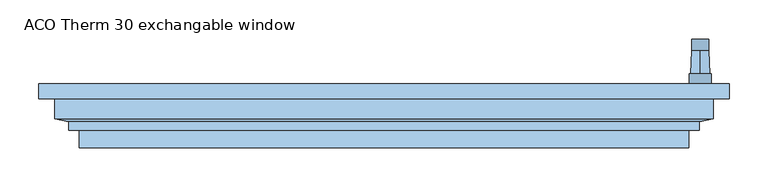
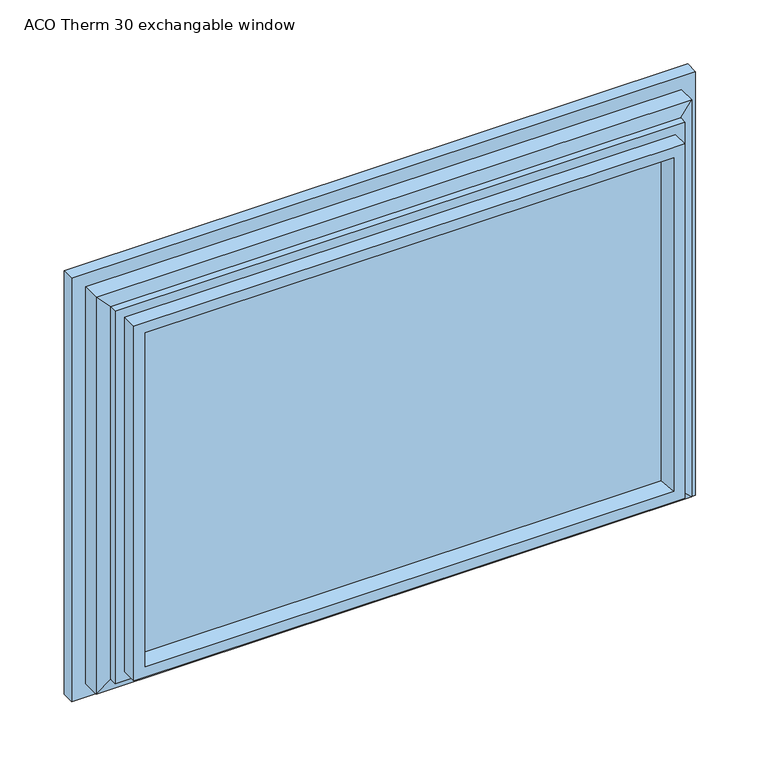
"""IFC4 building model written with IfcOpenShell, lengths in millimetres: window geometry, ACO Therm 30 exchangable window."""

from ifc_helpers import new_model, si_unit, point, frame, frame_2d, origin, place, context, project, spatial, polyline, circle_curve, trimmed, segment, composite_curve, outline, extrude, faceted_brep, source, transform, mapped, element, save
from ifc_brep_helpers import plane_surface, cylinder_surface, revolved_surface, advanced_brep


def aco_therm_30_exchangable_window_c95f24bc(model_context):
    return source(origin(), model_context, "Body", "SolidModel", [
        advanced_brep(
        [(419.8, -69.2, 220.2), (419.8, -69.2, 184.8), (391.2, -69.2, 184.8), (391.2, -69.2, 220.2), (405.5, -69.2, 190.5), (405.5, -69.2, 214.5), (419.8, -82.0, 220.2), (391.2, -82.0, 220.2), (391.2, -82.0, 184.8), (419.8, -82.0, 184.8), (405.5, -39.4162196, 213.45), (405.5, -39.4162196, 191.55)],
        [
            (0, 1),
            (1, 2, circle_curve(frame((405.5, -69.2, 184.8), z_axis=(0.0, 1.0, 0.0), x_axis=(-1.0, 0.0, 0.0)), 14.3)),
            (2, 3),
            (3, 0, circle_curve(frame((405.5, -69.2, 220.2), z_axis=(0.0, 1.0, 0.0), x_axis=(-1.0, 0.0, 0.0)), 14.3)),
            (4, 5, circle_curve(frame((405.5, -69.2, 202.5), z_axis=(0.0, -1.0, 0.0), x_axis=(0.0, 0.0, 1.0)), 12.0)),
            (5, 4, circle_curve(frame((405.5, -69.2, 202.5), z_axis=(0.0, -1.0, 0.0), x_axis=(0.0, 0.0, -1.0)), 12.0)),
            (6, 7, circle_curve(frame((405.5, -82.0, 220.2), z_axis=(0.0, -1.0, 0.0), x_axis=(-1.0, 0.0, 0.0)), 14.3)),
            (7, 8),
            (8, 9, circle_curve(frame((405.5, -82.0, 184.8), z_axis=(0.0, -1.0, 0.0), x_axis=(-1.0, 0.0, 0.0)), 14.3)),
            (9, 6),
            (0, 6),
            (9, 1),
            (8, 2),
            (7, 3),
            (10, 11, circle_curve(frame((405.5, -39.4162196, 202.5), z_axis=(0.0, 1.0, 0.0), x_axis=(0.0, 0.0, 1.0)), 10.95)),
            (11, 10, circle_curve(frame((405.5, -39.4162196, 202.5), z_axis=(0.0, 1.0, 0.0), x_axis=(0.0, 0.0, -1.0)), 10.95)),
            (10, 5),
            (4, 11),
        ],
        [
            plane_surface(frame((419.8, -69.2, 220.2), z_axis=(0.0, 1.0, 0.0), x_axis=(0.0, 0.0, -1.0))),
            plane_surface(frame((419.8, -82.0, 220.2), z_axis=(0.0, -1.0, 0.0), x_axis=(0.0, 0.0, 1.0))),
            plane_surface(frame((419.8, -69.2, 220.2), z_axis=(1.0, 0.0, 0.0), x_axis=(0.0, -1.0, 0.0))),
            cylinder_surface(frame((405.5, -82.0, 184.8), z_axis=(0.0, 1.0, 0.0), x_axis=(-1.0, 0.0, 0.0)), 14.3),
            plane_surface(frame((391.2, -69.2, 184.8), z_axis=(-1.0, 0.0, 0.0), x_axis=(0.0, -1.0, 0.0))),
            cylinder_surface(frame((405.5, -82.0, 220.2), z_axis=(0.0, 1.0, 0.0), x_axis=(-1.0, 0.0, 0.0)), 14.3),
            plane_surface(frame((405.5, -39.4162196, 202.5), z_axis=(0.0, 1.0, 0.0), x_axis=(1.0, 0.0, 0.0))),
            revolved_surface(polyline([(405.5, -39.41621959999998, 213.4500000002644), (405.5, -69.19999999999999, 214.5)]), (405.5, 271.1860618, 202.5), (0.0, -1.0, 0.0)),
            revolved_surface(polyline([(405.5, -39.41621959999998, 191.5499999997356), (405.5, -69.19999999999999, 190.5)]), (405.5, 271.1860618, 202.5), (0.0, -1.0, 0.0)),
        ],
        [
            (0, [[1, 2, 3, 4], [5, 6]]),
            (1, [[7, 8, 9, 10]]),
            (2, [[-1, 11, -10, 12]]),
            (3, [[-2, -12, -9, 13]]),
            (4, [[-3, -13, -8, 14]]),
            (5, [[-4, -14, -7, -11]]),
            (6, [[15, 16]]),
            (7, [[-15, 17, -5, 18]]),
            (8, [[-16, -18, -6, -17]]),
        ],
    ),
        extrude(outline(composite_curve([segment(trimmed(circle_curve(frame_2d((89.5593058, 401.5419635)), 5.1186159), [point((89.5592661, 396.4233476))], [point((84.4406899, 401.5419635))], False, "CARTESIAN"), True, "CONTINUOUS"), segment(polyline([(84.4406899, 401.5419635), (84.4406899, 409.4580365)]), True, "CONTINUOUS"), segment(trimmed(circle_curve(frame_2d((89.5593058, 409.4580365)), 5.1186159), [point((84.4406899, 409.4580365))], [point((89.3895475, 414.5738366))], False, "CARTESIAN"), True, "CONTINUOUS"), segment(polyline([(89.3895475, 414.5738366), (202.5, 416.45)]), True, "CONTINUOUS"), segment(trimmed(circle_curve(frame_2d((202.5, 405.5)), 10.95), [point((202.5, 416.45))], [point((202.5, 394.55))], False, "CARTESIAN"), True, "CONTINUOUS"), segment(polyline([(202.5, 394.55), (89.5592661, 396.4233476)]), True, "CONTINUOUS")], self_intersect=False)), frame((0.0, -39.4162196, 0.0), z_axis=(0.0, 1.0, 0.0), x_axis=(0.0, 0.0, 1.0)), (0.0, 0.0, 1.0), 15.0),
        extrude(outline(polyline([(386.5, -103.0), (386.5, -107.0), (-386.5, -107.0), (-386.5, -103.0), (386.5, -103.0)])), frame((0.0, 0.0, 108.5), z_axis=(0.0, 0.0, 1.0), x_axis=(1.0, 0.0, 0.0)), (0.0, 0.0, 1.0), 523.0),
        extrude(outline(polyline([(386.5, -139.0), (386.5, -143.0), (-386.5, -143.0), (-386.5, -139.0), (386.5, -139.0)])), frame((0.0, 0.0, 108.5), z_axis=(0.0, 0.0, 1.0), x_axis=(1.0, 0.0, 0.0)), (0.0, 0.0, 1.0), 523.0),
        extrude(outline(polyline([(386.5, -121.0), (386.5, -125.0), (-386.5, -125.0), (-386.5, -121.0), (386.5, -121.0)])), frame((0.0, 0.0, 108.5), z_axis=(0.0, 0.0, 1.0), x_axis=(1.0, 0.0, 0.0)), (0.0, 0.0, 1.0), 523.0),
        faceted_brep([(422.5, -101.0, 667.5), (422.5, -126.45, 667.5), (422.5, -126.45, 72.5), (422.5, -101.0, 72.5), (442.5, -82.0, 687.5), (442.5, -101.0, 687.5), (442.5, -101.0, 52.5), (442.5, -82.0, 52.5), (370.3364776, -103.0, 615.3364776), (359.6599742, -82.0, 604.6599742), (359.6599742, -82.0, 135.3400258), (370.3364776, -103.0, 124.6635224), (386.5, -143.0, 631.5), (386.5, -103.0, 631.5), (386.5, -103.0, 108.5), (386.5, -143.0, 108.5), (375.1595631, -164.0, 620.1595631), (369.53263, -143.0, 614.53263), (369.53263, -143.0, 125.46737), (375.1595631, -164.0, 119.8404369), (390.9018435, -164.0, 635.9018435), (390.9018435, -164.0, 104.0981565), (390.9018435, -141.5, 104.0981565), (390.9018435, -141.5, 635.9018435), (404.3518435, -130.6, 649.3518435), (404.3518435, -141.5, 649.3518435), (404.3518435, -141.5, 90.6481565), (404.3518435, -130.6, 90.6481565), (-422.5, -126.45, 72.5), (-422.5, -101.0, 72.5), (-442.5, -101.0, 52.5), (-442.5, -82.0, 52.5), (-359.6599742, -82.0, 135.3400258), (-370.3364776, -103.0, 124.6635224), (-386.5, -103.0, 108.5), (-386.5, -143.0, 108.5), (-369.53263, -143.0, 125.46737), (-375.1595631, -164.0, 119.8404369), (-390.9018435, -164.0, 104.0981565), (-390.9018435, -141.5, 104.0981565), (-404.3518435, -141.5, 90.6481565), (-404.3518435, -130.6, 90.6481565), (-422.5, -126.45, 667.5), (-422.5, -101.0, 667.5), (-442.5, -101.0, 687.5), (-442.5, -82.0, 687.5), (-359.6599742, -82.0, 604.6599742), (-370.3364776, -103.0, 615.3364776), (-386.5, -103.0, 631.5), (-386.5, -143.0, 631.5), (-369.53263, -143.0, 614.53263), (-375.1595631, -164.0, 620.1595631), (-390.9018435, -164.0, 635.9018435), (-390.9018435, -141.5, 635.9018435), (-404.3518435, -141.5, 649.3518435), (-404.3518435, -130.6, 649.3518435)], [[[0, 1, 2, 3]], [[4, 5, 6, 7]], [[8, 9, 10, 11]], [[12, 13, 14, 15]], [[16, 17, 18, 19]], [[20, 21, 22, 23]], [[24, 25, 26, 27]], [[1, 24, 27, 2]], [[3, 2, 28, 29]], [[7, 6, 30, 31]], [[11, 10, 32, 33]], [[15, 14, 34, 35]], [[19, 18, 36, 37]], [[22, 21, 38, 39]], [[27, 26, 40, 41]], [[2, 27, 41, 28]], [[29, 28, 42, 43]], [[31, 30, 44, 45]], [[33, 32, 46, 47]], [[35, 34, 48, 49]], [[37, 36, 50, 51]], [[39, 38, 52, 53]], [[41, 40, 54, 55]], [[28, 41, 55, 42]], [[43, 42, 1, 0]], [[5, 44, 30, 6], [3, 29, 43, 0]], [[45, 44, 5, 4]], [[7, 31, 45, 4], [9, 46, 32, 10]], [[47, 46, 9, 8]], [[13, 48, 34, 14], [11, 33, 47, 8]], [[49, 48, 13, 12]], [[15, 35, 49, 12], [17, 50, 36, 18]], [[51, 50, 17, 16]], [[20, 52, 38, 21], [19, 37, 51, 16]], [[53, 52, 20, 23]], [[25, 54, 40, 26], [22, 39, 53, 23]], [[55, 54, 25, 24]], [[42, 55, 24, 1]]]),
    ])


if __name__ == "__main__":
    model = new_model("IFC4")
    model_context = context("Model", 3, world=origin())
    ifc_project = project(units=[si_unit("LENGTHUNIT", "METRE", prefix="MILLI")], contexts=[model_context])
    site = spatial("IfcSite", under=ifc_project)
    building = spatial("IfcBuilding", under=site)
    placement = place(None, origin())
    aco_therm_30_exchangable_window_shape = aco_therm_30_exchangable_window_c95f24bc(model_context)
    element("IfcWindow", 1, ObjectType="ACO Therm 30 exchangable window", at=placement, inside=building, context=model_context, shape_type="MappedRepresentation", body=[
        mapped(aco_therm_30_exchangable_window_shape, transform((0.0, 0.0, 0.0), x_axis=(1.0, 0.0, 0.0), y_axis=(0.0, 1.0, 0.0), z_axis=(0.0, 0.0, 1.0))),
    ])
    save(model, "model.ifc")
